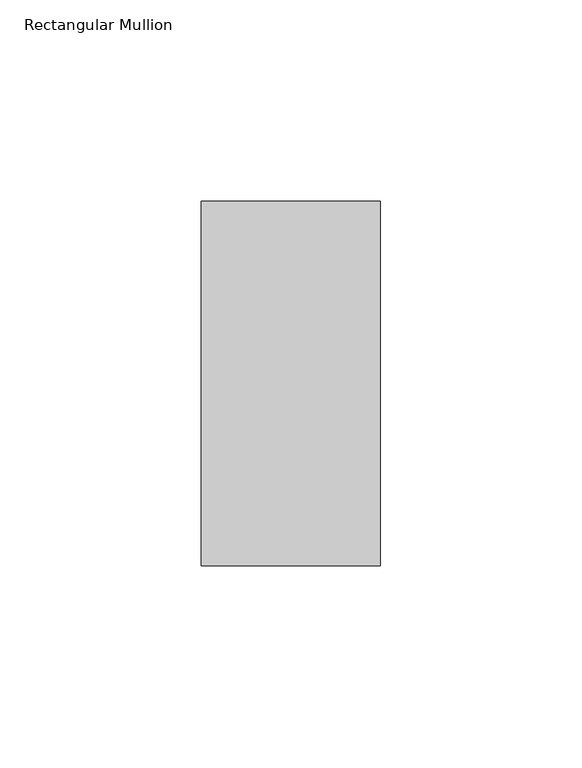
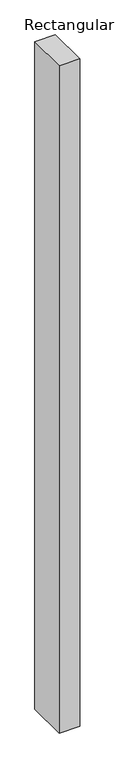
"""IFC4 building model written with IfcOpenShell, lengths in millimetres: member geometry, Rectangular Mullion."""

from ifc_helpers import new_model, si_unit, frame, origin, place, context, project, spatial, polyline, outline, extrude, source, transform, mapped, element, save


def rectangular_mullion_2f981a95(model_context):
    return source(origin(), model_context, "Body", "SweptSolid", [
        extrude(outline(polyline([(-44.4460275, 45.2274954), (0.0, 45.2274954), (0.0, -45.1980997), (-44.4460275, -45.1980997), (-44.4460275, 45.2274954)])), frame((0.0, 0.0, -1524.0), z_axis=(0.0, 0.0, 1.0), x_axis=(1.0, 0.0, 0.0)), (0.0, 0.0, 1.0), 1524.0),
    ])


if __name__ == "__main__":
    model = new_model("IFC4")
    model_context = context("Model", 3, world=origin())
    ifc_project = project(units=[si_unit("LENGTHUNIT", "METRE", prefix="MILLI")], contexts=[model_context])
    site = spatial("IfcSite", under=ifc_project)
    building = spatial("IfcBuilding", under=site)
    placement = place(None, origin())
    rectangular_mullion_shape = rectangular_mullion_2f981a95(model_context)
    element("IfcMember", 1, ObjectType="Rectangular Mullion", at=placement, inside=building, context=model_context, shape_type="MappedRepresentation", body=[
        mapped(rectangular_mullion_shape, transform((0.0, 0.0, 0.0), x_axis=(1.0, 0.0, 0.0), y_axis=(0.0, 1.0, 0.0), z_axis=(0.0, 0.0, 1.0))),
    ])
    save(model, "model.ifc")
